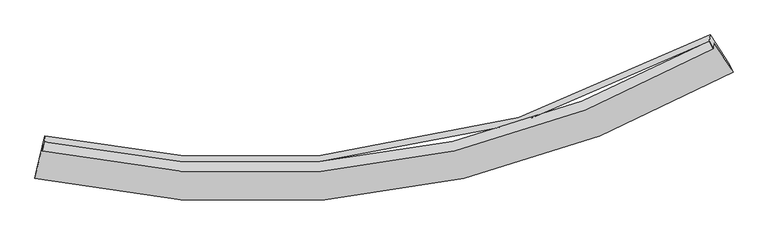
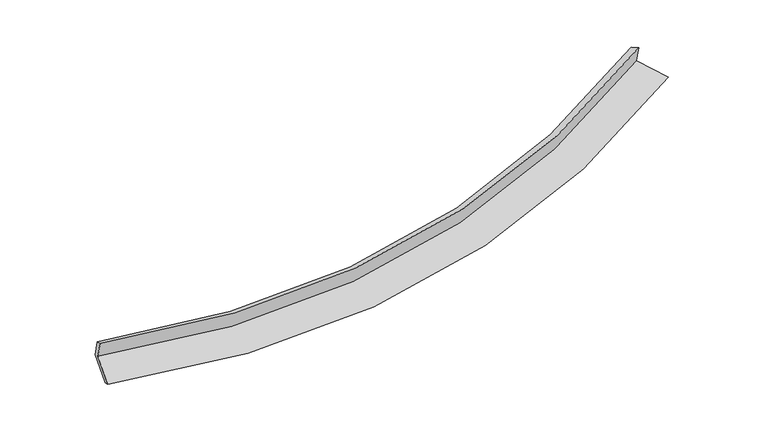
"""IFC4 building model written with IfcOpenShell, lengths in millimetres: proxy geometry."""

import ifcopenshell
import ifcopenshell.guid

model = None  # the IFC model being written
_history = None  # IfcOwnerHistory: only IFC2X3 demands one
_inside = {}  # id of a spatial element -> (the spatial element, [elements in it])
_under = {}  # id of a project, library or spatial element -> (it, [spatial elements below it])
_declared = {}  # id of a project -> (the project, [libraries it declares])
_typed = {}  # id of a type object -> (the type object, [elements of that type])
_made_of = {}  # id of a material, layer set ... -> (it, [elements and type objects made of it])


def new_model(schema):
    """Start an empty IFC model of exactly this schema.

    Asked for "IFC4X3", IfcOpenShell would pick the latest addendum, in which some entities
    have other attributes; the version numbers below select the first issue.
    IFC2X3 requires an IfcOwnerHistory on every rooted entity: one is made here for all.
    """
    global model, _history
    if schema == "IFC4X3":
        model = ifcopenshell.file(schema_version=(4, 3, 0, 0))
    else:
        model = ifcopenshell.file(schema=schema)
    _inside.clear()
    _under.clear()
    _declared.clear()
    _typed.clear()
    _made_of.clear()
    _history = None
    if model.schema == "IFC2X3":
        org = make("IfcOrganization", Name="unknown")
        user = make(
            "IfcPersonAndOrganization",
            ThePerson=make("IfcPerson", FamilyName="unknown"),
            TheOrganization=org,
        )
        app = make(
            "IfcApplication",
            ApplicationDeveloper=org,
            Version="unknown",
            ApplicationFullName="unknown",
            ApplicationIdentifier="unknown",
        )
        _history = make(
            "IfcOwnerHistory",
            OwningUser=user,
            OwningApplication=app,
            ChangeAction="ADDED",
            CreationDate=0,
        )
    return model


def make(cls, **values):
    """One entity of the class cls with the attributes given. An attribute that is None is left unset."""
    return model.create_entity(
        cls, **{name: value for name, value in values.items() if value is not None}
    )


def rooted(cls, **values):
    """An entity with a GlobalId (a new one), such as an element, a storey or a relation."""
    return make(cls, GlobalId=ifcopenshell.guid.new(), OwnerHistory=_history, **values)


def si_unit(unit_type, name, prefix=None):
    """IfcSIUnit, for example si_unit("LENGTHUNIT", "METRE", prefix="MILLI")."""
    return make("IfcSIUnit", UnitType=unit_type, Prefix=prefix, Name=name)


def assignment(units):
    """IfcUnitAssignment: the units of a project."""
    return None if units is None else make("IfcUnitAssignment", Units=units)


def point(xyz):
    """IfcCartesianPoint."""
    return None if xyz is None else make("IfcCartesianPoint", Coordinates=xyz)


def direction(xyz):
    """IfcDirection."""
    return None if xyz is None else make("IfcDirection", DirectionRatios=xyz)


def frame(location, z_axis=None, x_axis=None):
    """IfcAxis2Placement3D, a coordinate frame: its origin and axes. An axis left out is left unset."""
    return make(
        "IfcAxis2Placement3D",
        Location=point(location),
        Axis=direction(z_axis),
        RefDirection=direction(x_axis),
    )


def origin():
    """The frame at (0, 0, 0) with its axes left unset."""
    return frame((0.0, 0.0, 0.0))


def place(relative_to, where):
    """IfcLocalPlacement: puts the frame where relative to a parent placement (None: the world)."""
    return make(
        "IfcLocalPlacement", PlacementRelTo=relative_to, RelativePlacement=where
    )


def context(
    kind, dimensions, precision=None, world=None, true_north=None, identifier=None
):
    """IfcGeometricRepresentationContext, for example the 3D "Model" context."""
    return make(
        "IfcGeometricRepresentationContext",
        ContextIdentifier=identifier,
        ContextType=kind,
        CoordinateSpaceDimension=dimensions,
        Precision=precision,
        WorldCoordinateSystem=world,
        TrueNorth=true_north,
    )


def project(units=None, contexts=None):
    """IfcProject with its units and contexts."""
    return rooted(
        "IfcProject",
        Name="project",
        RepresentationContexts=contexts,
        UnitsInContext=assignment(units),
    )


def spatial(cls, under=None, at=None, **own):
    """A site, building, storey or space (cls), placed at a placement, below another one or the project."""
    s = rooted(cls, ObjectPlacement=at, **own)
    if under is not None:
        _under.setdefault(under.id(), (under, []))[1].append(s)
    return s


def shape(context_of_items, identifier, shape_type, items):
    """IfcShapeRepresentation: the items that make up one representation, for example the "Body"."""
    return make(
        "IfcShapeRepresentation",
        ContextOfItems=context_of_items,
        RepresentationIdentifier=identifier,
        RepresentationType=shape_type,
        Items=items,
    )


def source(mapping_origin, context_of_items, identifier, shape_type, items):
    """IfcRepresentationMap: a shape defined once, which mapped items show again and again."""
    return make(
        "IfcRepresentationMap",
        MappingOrigin=mapping_origin,
        MappedRepresentation=shape(context_of_items, identifier, shape_type, items),
    )


def transform(
    local_origin,
    x_axis=None,
    y_axis=None,
    z_axis=None,
    scale=None,
    scale2=None,
    scale3=None,
    uniform=True,
):
    """IfcCartesianTransformationOperator3D, or its non-uniform kind. x_axis, y_axis, z_axis: its Axis1, 2, 3."""
    if uniform:
        return make(
            "IfcCartesianTransformationOperator3D",
            Axis1=direction(x_axis),
            Axis2=direction(y_axis),
            LocalOrigin=point(local_origin),
            Scale=scale,
            Axis3=direction(z_axis),
        )
    return make(
        "IfcCartesianTransformationOperator3DnonUniform",
        Axis1=direction(x_axis),
        Axis2=direction(y_axis),
        LocalOrigin=point(local_origin),
        Scale=scale,
        Axis3=direction(z_axis),
        Scale2=scale2,
        Scale3=scale3,
    )


def mapped(mapping_source, mapping_target):
    """IfcMappedItem: shows the shape of a source again, moved by a transform."""
    return make(
        "IfcMappedItem", MappingSource=mapping_source, MappingTarget=mapping_target
    )


def made_of(thing, what):
    """Note that an element or type object is made of a material, layer set ...; save() writes the relation."""
    if what is not None:
        _made_of.setdefault(what.id(), (what, []))[1].append(thing)
    return thing


def element(
    cls,
    number,
    at=None,
    inside=None,
    cuts=None,
    type_object=None,
    material=None,
    context=None,
    identifier="Body",
    shape_type=None,
    held_by="IfcProductDefinitionShape",
    body=None,
    shapes=None,
    **own,
):
    """One element of the class cls, such as IfcWall. Its Tag is "e" and its number.

    at: its placement. inside: the storey or other place that contains it. cuts: it is an
    opening in that element (IfcRelVoidsElement). A single representation is given by context,
    identifier, shape_type and body (its items); several are given by shapes. held_by: the class
    of the entity that holds the representations. save() writes the other relations.
    """
    e = rooted(cls, Tag="e%d" % number, ObjectPlacement=at, **own)
    if body is not None:
        shapes = [shape(context, identifier, shape_type, body)]
    if shapes is not None:
        e.Representation = make(held_by, Representations=shapes)
    if inside is not None:
        _inside.setdefault(inside.id(), (inside, []))[1].append(e)
    if cuts is not None:
        rooted(
            "IfcRelVoidsElement", RelatingBuildingElement=cuts, RelatedOpeningElement=e
        )
    if type_object is not None:
        _typed.setdefault(type_object.id(), (type_object, []))[1].append(e)
    return made_of(e, material)


def aggregate(whole, parts):
    """IfcRelAggregates: a whole, such as a stair, and the parts it consists of."""
    return rooted("IfcRelAggregates", RelatingObject=whole, RelatedObjects=parts)


def save(model, path):
    """Write the relations noted so far, then the file.

    IfcRelAggregates (storeys below a building ...), IfcRelContainedInSpatialStructure (elements
    in a storey), IfcRelDefinesByType, IfcRelAssociatesMaterial and IfcRelDeclares: one each for
    every whole, place, type object, material and project.
    """
    for whole, parts in _under.values():
        aggregate(whole, parts)
    for where, things in _inside.values():
        rooted(
            "IfcRelContainedInSpatialStructure",
            RelatedElements=things,
            RelatingStructure=where,
        )
    for kind, things in _typed.values():
        rooted("IfcRelDefinesByType", RelatedObjects=things, RelatingType=kind)
    for what, things in _made_of.values():
        rooted("IfcRelAssociatesMaterial", RelatedObjects=things, RelatingMaterial=what)
    for by, libraries in _declared.values():
        rooted("IfcRelDeclares", RelatingContext=by, RelatedDefinitions=libraries)
    model.write(path)


def plane_surface(at):
    """IfcPlane: the flat surface through the origin of the frame at, square to its z axis."""
    return make("IfcPlane", Position=at)


def spline_curve(degree, points, multiplicities, knots, weights=None):
    """IfcBSplineCurveWithKnots; with weights, IfcRationalBSplineCurveWithKnots."""
    own = dict(
        Degree=degree,
        ControlPointsList=[point(p) for p in points],
        CurveForm="UNSPECIFIED",
        ClosedCurve=False,
        SelfIntersect=False,
        KnotMultiplicities=multiplicities,
        Knots=knots,
        KnotSpec="UNSPECIFIED",
    )
    if weights is None:
        return make("IfcBSplineCurveWithKnots", **own)
    return make("IfcRationalBSplineCurveWithKnots", WeightsData=weights, **own)


def spline_surface(u_degree, v_degree, points, u_multiplicities, v_multiplicities, u_knots, v_knots, weights=None):
    """IfcBSplineSurfaceWithKnots; with weights, IfcRationalBSplineSurfaceWithKnots. points: one row for each step in u."""
    own = dict(
        UDegree=u_degree,
        VDegree=v_degree,
        ControlPointsList=[[point(p) for p in row] for row in points],
        SurfaceForm="UNSPECIFIED",
        UClosed=False,
        VClosed=False,
        SelfIntersect=False,
        UMultiplicities=u_multiplicities,
        VMultiplicities=v_multiplicities,
        UKnots=u_knots,
        VKnots=v_knots,
        KnotSpec="UNSPECIFIED",
    )
    if weights is None:
        return make("IfcBSplineSurfaceWithKnots", **own)
    return make("IfcRationalBSplineSurfaceWithKnots", WeightsData=weights, **own)


def advanced_brep(points, edges, surfaces, faces):
    """IfcAdvancedBrep: a solid bounded by faces that lie on surfaces and meet in shared edges.

    An edge is (start, end): straight between two places in points (the first is 0);
    or (start, end, curve); or (start, end, curve, False) where it runs against its curve.
    A face is (place in surfaces, loops), or (place, loops, False) where it looks against
    its surface's normal. A loop lists edges by number (the first is 1), with a minus sign
    where the edge is run from its end to its start. The first loop is the outer one.
    """
    corners = [point(p) for p in points]
    vertices = [make("IfcVertexPoint", VertexGeometry=c) for c in corners]
    made = []
    for start, end, *more in edges:
        made.append(
            make(
                "IfcEdgeCurve",
                EdgeStart=vertices[start],
                EdgeEnd=vertices[end],
                EdgeGeometry=more[0] if more else make("IfcPolyline", Points=[corners[start], corners[end]]),
                SameSense=more[1] if len(more) > 1 else True,
            )
        )
    hull = []
    for where, loops, *sense in faces:
        bounds = []
        for j, loop in enumerate(loops):
            ring = [make("IfcOrientedEdge", EdgeElement=made[abs(k) - 1], Orientation=k > 0) for k in loop]
            bounds.append(
                make(
                    "IfcFaceOuterBound" if j == 0 else "IfcFaceBound",
                    Bound=make("IfcEdgeLoop", EdgeList=ring),
                    Orientation=True,
                )
            )
        hull.append(make("IfcAdvancedFace", Bounds=bounds, FaceSurface=surfaces[where], SameSense=sense[0] if sense else True))
    return make("IfcAdvancedBrep", Outer=make("IfcClosedShell", CfsFaces=hull))


def generic_models_e09b68f8(model_context):
    return source(origin(), model_context, "Body", "AdvancedBrep", [
        advanced_brep(
        [(-5876.6299218, -1996.3101859, 1547.3373398), (-6024.6569111, -2618.3991458, 1347.0801172), (6885.8481084, -653.5055291, 2470.0872662), (6531.8646745, -107.1641101, 2627.1419743), (-5890.7885254, -2110.1614207, 1911.4762744), (6517.5925289, -221.9283518, 2994.2010471), (-5856.1968917, -1946.9255257, 1832.2940647), (6445.4135033, -79.2323001, 2943.7009139), (-5842.2346845, -1834.6535405, 1473.2061622), (6460.047899, 38.4448436, 2567.3252882), (-5990.8160819, -2459.0724215, 1272.1989126), (6813.3527013, -506.8491689, 2410.5716741)],
        [
            (0, 1),
            (1, 2, spline_curve(3, [(-6024.6569111, -2618.3991458, 1347.0801172), (-4202.443189193, -3016.958147557, 1294.804580479), (-2416.714888275, -3149.123341035, 1324.163287664), (1930.799968985, -2815.515640984, 1600.021780405), (4448.573341655, -2028.385908027, 1944.998789494), (6885.8481084, -653.5055291, 2470.0872662)], [4, 2, 4], [0.0, 17.294940701254276, 42.98431769823365])),
            (2, 3),
            (3, 0, spline_curve(3, [(6531.8646745, -107.1641101, 2627.1419743), (4189.030223903, -1425.106022937, 2123.527877215), (1769.02470579, -2180.307797858, 1792.334875636), (-2409.333988957, -2502.340990326, 1526.672455049), (-4125.493335875, -2376.854574496, 1497.930578884), (-5876.6299218, -1996.3101859, 1547.3373398)], [4, 2, 4], [0.0, 25.689376996979377, 42.98431769823365])),
            (4, 0),
            (3, 5),
            (5, 4, spline_curve(3, [(6517.5925289, -221.9283518, 2994.2010471), (4174.227672534, -1544.135329118, 2504.228223927), (1754.022261507, -2300.944469233, 2178.176180822), (-2424.11787572, -2621.220211067, 1906.892773199), (-4140.039482485, -2493.822093825, 1872.036559083), (-5890.7885254, -2110.1614207, 1911.4762744)], [4, 2, 4], [0.0, 25.178352910449636, 42.12925524617704])),
            (6, 4),
            (5, 7),
            (7, 6, spline_curve(3, [(6445.4135033, -79.2323001, 2943.7009139), (4123.174952698, -1375.861784458, 2436.800226416), (1724.181921379, -2119.934227974, 2100.522291078), (-2418.320933429, -2440.38415097, 1823.34254169), (-4119.864701215, -2318.876116671, 1789.151528126), (-5856.1968917, -1946.9255257, 1832.2940647)], [4, 2, 4], [0.0, 25.068528256856094, 41.945492992942235])),
            (8, 6),
            (7, 9),
            (9, 8, spline_curve(3, [(6460.047899, 38.4448436, 2567.3252882), (4137.493988315, -1260.720490191, 2068.53519983), (1738.294040678, -2006.456782731, 1737.578877113), (-2404.3735861, -2328.231653476, 1464.636804507), (-4105.934498842, -2206.861489249, 1430.886751644), (-5842.2346845, -1834.6535405, 1473.2061622)], [4, 2, 4], [0.0, 24.958699530360725, 41.761723924792996])),
            (10, 8),
            (9, 11),
            (11, 10, spline_curve(3, [(6813.3527013, -506.8491689, 2410.5716741), (4396.560537809, -1859.399102923, 1891.426209671), (1899.68882667, -2636.03554293, 1547.010970215), (-2412.151495163, -2971.891836708, 1263.088373533), (-4183.336045505, -2845.996479955, 1228.046026526), (-5990.8160819, -2459.0724215, 1272.1989126)], [4, 2, 4], [0.0, 25.46810695163557, 42.614081318920945])),
            (1, 10),
            (11, 2),
        ],
        [
            spline_surface(3, 3, [[(-5876.6299218, -1996.3101859, 1547.3373398), (-4125.493336028, -2376.85457457, 1497.930578762), (-2409.33398895, -2502.340990401, 1526.672455215), (1769.024705778, -2180.307797748, 1792.334875389), (4189.030224134, -1425.106023343, 2123.527877134), (6531.8646745, -107.1641101, 2627.1419743)], [(-5925.972251549, -2203.673172512, 1480.584932262), (-4151.143286995, -2590.222432159, 1430.221912651), (-2411.794288711, -2717.935107288, 1459.169399382), (1822.949793498, -2392.043745417, 1728.230510437), (4275.544596554, -1626.199318291, 2064.018181295), (6649.859152469, -289.277916443, 2574.790404934)], [(-5975.314581351, -2411.036159188, 1413.832524738), (-4176.793238015, -2803.590289812, 1362.513246557), (-2414.254588478, -2933.52922425, 1391.666343466), (1876.874881212, -2603.779693161, 1664.126145402), (4362.058968967, -1827.292613209, 2004.508485456), (6767.853630431, -471.391722757, 2522.438835566)], [(-6024.6569111, -2618.3991458, 1347.0801172), (-4202.443188983, -3016.9581474, 1294.804580447), (-2416.71488824, -3149.123341138, 1324.163287634), (1930.799968932, -2815.515640831, 1600.02178045), (4448.573341387, -2028.385908157, 1944.998789617), (6885.8481084, -653.5055291, 2470.0872662)]], [4, 4], [4, 2, 4], [0.0, 2.2141862833242216], [0.0, 17.294940701254276, 42.98431769823365]),
            spline_surface(3, 3, [[(-5890.7885254, -2110.1614207, 1911.4762744), (-4140.039482494, -2493.822093667, 1872.036558919), (-2424.117875683, -2621.220210999, 1906.892773311), (1754.022261452, -2300.944469334, 2178.176180656), (4174.227672772, -1544.135329087, 2504.228223827), (6517.5925289, -221.9283518, 2994.2010471)], [(-5886.068990887, -2072.2110091, 1790.096629539), (-4135.190767026, -2454.832920635, 1747.334565539), (-2419.189913459, -2581.59380415, 1780.15266727), (1759.023076207, -2260.732245489, 2049.562412225), (4179.161856554, -1504.458893852, 2377.32810825), (6522.349910762, -183.67360458, 2871.848022821)], [(-5881.349456313, -2034.2605975, 1668.716984661), (-4130.342051496, -2415.843747602, 1622.632572142), (-2414.261951173, -2541.967397249, 1653.412561255), (1764.023891023, -2220.520021592, 1920.94864382), (4184.096040352, -1464.782458578, 2250.427992711), (6527.107292638, -145.41885732, 2749.494998579)], [(-5876.6299218, -1996.3101859, 1547.3373398), (-4125.493336028, -2376.85457457, 1497.930578762), (-2409.33398895, -2502.340990401, 1526.672455215), (1769.024705778, -2180.307797748, 1792.334875389), (4189.030224134, -1425.106023343, 2123.527877134), (6531.8646745, -107.1641101, 2627.1419743)]], [4, 4], [4, 2, 4], [0.0, 1.3189944465942232], [0.0, 16.950902335727402, 42.12925524617704]),
            spline_surface(3, 3, [[(-5856.1968917, -1946.9255257, 1832.2940647), (-4119.864701064, -2318.876116488, 1789.151527857), (-2418.320933621, -2440.384151215, 1823.342541828), (1724.181921664, -2119.934227609, 2100.522290873), (4123.174952588, -1375.861784386, 2436.800226644), (6445.4135033, -79.2323001, 2943.7009139)], [(-5867.727436264, -2001.337490704, 1858.688134615), (-4126.589628205, -2377.191442218, 1816.77987156), (-2420.253247623, -2500.662837795, 1851.192618993), (1734.128701612, -2180.270974836, 2126.406920805), (4140.192525986, -1431.952965951, 2459.276225726), (6469.473178503, -126.797650664, 2960.534291655)], [(-5879.257980836, -2055.749455696, 1885.082204485), (-4133.314555354, -2435.506767937, 1844.408215217), (-2422.185561681, -2560.941524419, 1879.042696145), (1744.075481504, -2240.607722107, 2152.291550724), (4157.210099374, -1488.044147523, 2481.752224744), (6493.532853697, -174.363001236, 2977.367669345)], [(-5890.7885254, -2110.1614207, 1911.4762744), (-4140.039482494, -2493.822093667, 1872.036558919), (-2424.117875683, -2621.220210999, 1906.892773311), (1754.022261452, -2300.944469334, 2178.176180656), (4174.227672772, -1544.135329087, 2504.228223827), (6517.5925289, -221.9283518, 2994.2010471)]], [4, 4], [4, 2, 4], [0.0, 0.6475966926968114], [0.0, 16.87696473608614, 41.945492992942235]),
            spline_surface(3, 3, [[(-5842.2346845, -1834.6535405, 1473.2061622), (-4105.934499017, -2206.861489026, 1430.886751895), (-2404.373585957, -2328.231653373, 1464.636804687), (1738.294040467, -2006.456782884, 1737.578876846), (4137.493988579, -1260.720490506, 2068.535199422), (6460.047899, 38.4448436, 2567.3252882)], [(-5846.888753559, -1872.077535584, 1592.902129677), (-4110.577899692, -2244.199698197, 1550.30834386), (-2409.022701846, -2365.615819347, 1584.205383739), (1733.590000865, -2044.282597819, 1858.56001486), (4132.720976576, -1299.100921799, 2191.290208487), (6455.169767094, -0.780870966, 2692.783830091)], [(-5851.542822641, -1909.501530616, 1712.598097223), (-4115.221300389, -2281.537907317, 1669.729935893), (-2413.671817733, -2402.999985241, 1703.773962776), (1728.885961265, -2082.108412674, 1979.541152859), (4127.947964591, -1337.481353094, 2314.04521758), (6450.291635206, -40.006585534, 2818.242372009)], [(-5856.1968917, -1946.9255257, 1832.2940647), (-4119.864701064, -2318.876116488, 1789.151527857), (-2418.320933621, -2440.384151215, 1823.342541828), (1724.181921664, -2119.934227609, 2100.522290873), (4123.174952588, -1375.861784386, 2436.800226644), (6445.4135033, -79.2323001, 2943.7009139)]], [4, 4], [4, 2, 4], [0.0, 1.2447894176574064], [0.0, 16.80302439443227, 41.761723924792996]),
            spline_surface(3, 3, [[(-5990.8160819, -2459.0724215, 1272.1989126), (-4183.336045408, -2845.996480101, 1228.046026252), (-2412.151495306, -2971.89183644, 1263.088373554), (1899.688826883, -2636.035543329, 1547.010970184), (4396.560537814, -1859.399102795, 1891.42621004), (6813.3527013, -506.8491689, 2410.5716741)], [(-5941.288949418, -2250.932794489, 1339.201329155), (-4157.535529929, -2632.951483065, 1295.659601488), (-2409.558858853, -2757.338442069, 1330.271183926), (1845.890564747, -2426.175956498, 1610.533605732), (4310.205021399, -1659.839565355, 1950.462539834), (6695.584433863, -325.084498057, 2462.8228788)], [(-5891.761816982, -2042.793167511, 1406.203745645), (-4131.735014496, -2419.906486063, 1363.273176659), (-2406.96622241, -2542.785047744, 1397.453994316), (1792.092302602, -2216.316369715, 1674.056241298), (4223.849504994, -1460.280027946, 2009.498869628), (6577.816166437, -143.319827243, 2515.0740835)], [(-5842.2346845, -1834.6535405, 1473.2061622), (-4105.934499017, -2206.861489026, 1430.886751895), (-2404.373585957, -2328.231653373, 1464.636804687), (1738.294040467, -2006.456782884, 1737.578876846), (4137.493988579, -1260.720490506, 2068.535199422), (6460.047899, 38.4448436, 2567.3252882)]], [4, 4], [4, 2, 4], [0.0, 2.198176501942044], [0.0, 17.145974367285376, 42.614081318920945]),
            spline_surface(3, 3, [[(-6024.6569111, -2618.3991458, 1347.0801172), (-4202.443188983, -3016.9581474, 1294.804580447), (-2416.71488824, -3149.123341138, 1324.163287634), (1930.799968932, -2815.515640831, 1600.02178045), (4448.573341387, -2028.385908157, 1944.998789617), (6885.8481084, -653.5055291, 2470.0872662)], [(-6013.376634723, -2565.290237711, 1322.119715652), (-4196.074141147, -2959.970924978, 1272.551729033), (-2415.193757264, -3090.046172916, 1303.804982918), (1920.429588247, -2755.688941674, 1582.351510339), (4431.235740205, -1972.056973027, 1927.141263091), (6861.682972709, -604.620075691, 2450.2487355)], [(-6002.096358277, -2512.181329589, 1297.159314148), (-4189.705093243, -2902.983702523, 1250.298877665), (-2413.672626281, -3030.969004662, 1283.44667827), (1910.059207568, -2695.862242485, 1564.681240295), (4413.898138996, -1915.728037925, 1909.283736566), (6837.517836991, -555.734622309, 2430.4102048)], [(-5990.8160819, -2459.0724215, 1272.1989126), (-4183.336045408, -2845.996480101, 1228.046026252), (-2412.151495306, -2971.89183644, 1263.088373554), (1899.688826883, -2636.035543329, 1547.010970184), (4396.560537814, -1859.399102795, 1891.42621004), (6813.3527013, -506.8491689, 2410.5716741)]], [4, 4], [4, 2, 4], [0.0, 0.615212811998551], [0.0, 17.563956841407236, 43.65292220136727]),
            plane_surface(frame((6609.0199026, -255.0391027, 2668.8380273), z_axis=(0.8480649543745863, 0.49546410213216496, 0.18788602039534197), x_axis=(-0.037085286493150155, -0.29820777513493374, 0.9537802704893795))),
            plane_surface(frame((-5913.5538361, -2160.9203734, 1563.9321452), z_axis=(-0.9745891280462968, 0.22178160683422868, 0.031447581210433936), x_axis=(0.22090883418206034, 0.9283776396053149, 0.2988548899736911))),
        ],
        [
            (0, [[1, 2, 3, 4]]),
            (1, [[5, -4, 6, 7]]),
            (2, [[8, -7, 9, 10]]),
            (3, [[11, -10, 12, 13]]),
            (4, [[14, -13, 15, 16]]),
            (5, [[17, -16, 18, -2]]),
            (6, [[-12, -9, -6, -3, -18, -15]]),
            (7, [[-1, -5, -8, -11, -14, -17]]),
        ],
    ),
    ])


if __name__ == "__main__":
    model = new_model("IFC4")
    model_context = context("Model", 3, world=origin())
    ifc_project = project(units=[si_unit("LENGTHUNIT", "METRE", prefix="MILLI")], contexts=[model_context])
    site = spatial("IfcSite", under=ifc_project)
    building = spatial("IfcBuilding", under=site)
    placement = place(None, origin())
    generic_models_shape = generic_models_e09b68f8(model_context)
    element("IfcBuildingElementProxy", 1, Name="Generic Models", at=placement, inside=building, context=model_context, shape_type="MappedRepresentation", body=[
        mapped(generic_models_shape, transform((0.0, 0.0, 0.0), x_axis=(1.0, 0.0, 0.0), y_axis=(0.0, 1.0, 0.0), z_axis=(0.0, 0.0, 1.0))),
    ])
    save(model, "model.ifc")
